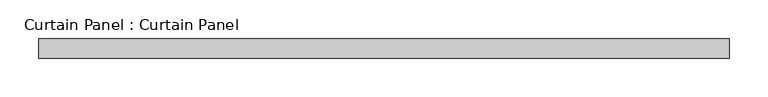
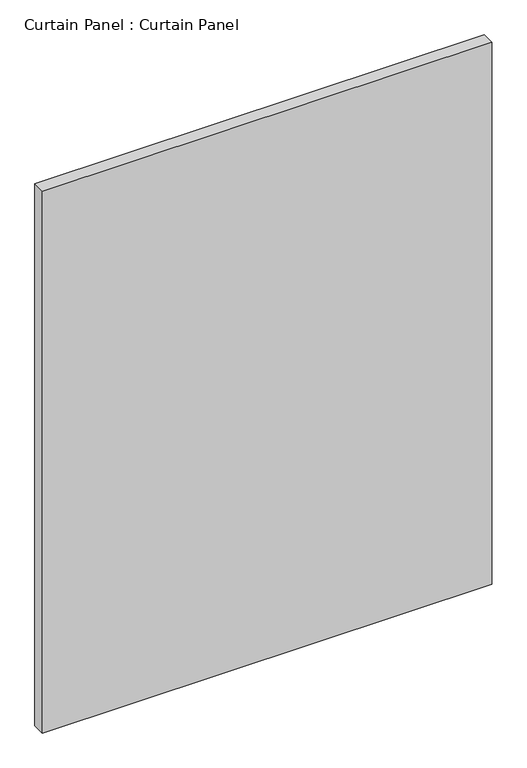
"""IFC4 building model written with IfcOpenShell, lengths in millimetres: plate geometry, Curtain Panel : Curtain Panel."""

from ifc_helpers import new_model, si_unit, frame, origin, place, context, project, spatial, polyline, outline, extrude, source, transform, mapped, element, save


def curtain_panel_curtain_panel_d16d63bb(model_context):
    return source(origin(), model_context, "Body", "SweptSolid", [
        extrude(outline(polyline([(-33298.9246935, 579.5565472), (-34194.2876734, 579.5565472), (-34194.2876734, 604.9565472), (-33298.9246935, 604.9565472), (-33298.9246935, 579.5565472)])), frame((0.0, 0.0, 1767.8280374), z_axis=(0.0, 0.0, 1.0), x_axis=(1.0, 0.0, 0.0)), (0.0, 0.0, 1.0), 1141.8456924),
    ])


if __name__ == "__main__":
    model = new_model("IFC4")
    model_context = context("Model", 3, world=origin())
    ifc_project = project(units=[si_unit("LENGTHUNIT", "METRE", prefix="MILLI")], contexts=[model_context])
    site = spatial("IfcSite", under=ifc_project)
    building = spatial("IfcBuilding", under=site)
    placement = place(None, origin())
    curtain_panel_curtain_panel_shape = curtain_panel_curtain_panel_d16d63bb(model_context)
    element("IfcPlate", 1, ObjectType="Curtain Panel : Curtain Panel", at=placement, inside=building, context=model_context, shape_type="MappedRepresentation", body=[
        mapped(curtain_panel_curtain_panel_shape, transform((0.0, 0.0, 0.0), x_axis=(1.0, 0.0, 0.0), y_axis=(0.0, 1.0, 0.0), z_axis=(0.0, 0.0, 1.0))),
    ])
    save(model, "model.ifc")
